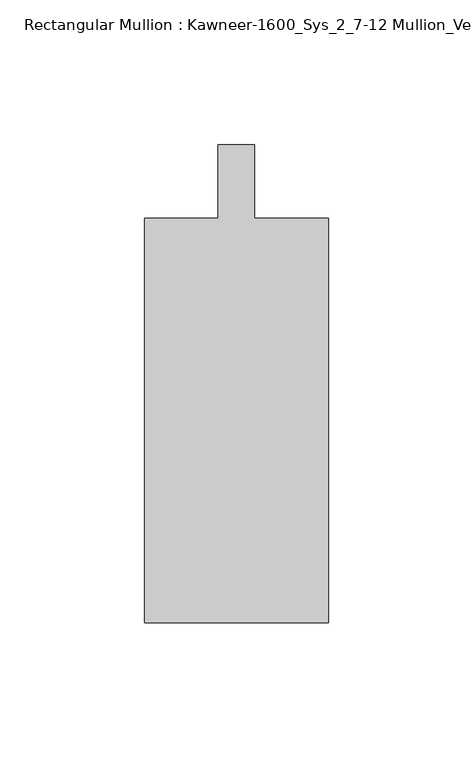
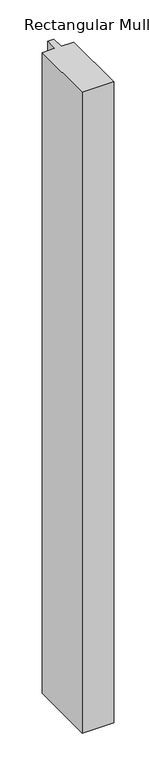
"""IFC4 building model written with IfcOpenShell, lengths in millimetres: member geometry, Rectangular Mullion : Kawneer-1600_Sys_2_7-12 Mullion_Vertical."""

from ifc_helpers import new_model, si_unit, frame, origin, place, context, project, spatial, polyline, outline, extrude, source, transform, mapped, element, save


def rectangular_mullion_kawneer_1600_sys_2_7_12_mullion_vertical_cb313ad9(model_context):
    return source(origin(), model_context, "Body", "SweptSolid", [
        extrude(outline(polyline([(36.0844027, -152.4), (-27.4155973, -152.4), (-27.4155973, -12.7), (-2.0155973, -12.7), (-2.0155973, 12.7), (10.6844027, 12.7), (10.6844027, -12.7), (36.0844027, -12.7), (36.0844027, -152.4)])), frame((0.0, 0.0, -1363.4555973), z_axis=(0.0, 0.0, 1.0), x_axis=(1.0, 0.0, 0.0)), (0.0, 0.0, 1.0), 1363.4555973),
    ])


if __name__ == "__main__":
    model = new_model("IFC4")
    model_context = context("Model", 3, world=origin())
    ifc_project = project(units=[si_unit("LENGTHUNIT", "METRE", prefix="MILLI")], contexts=[model_context])
    site = spatial("IfcSite", under=ifc_project)
    building = spatial("IfcBuilding", under=site)
    placement = place(None, origin())
    rectangular_mullion_kawneer_1600_sys_2_7_12_mullion_vertical_shape = rectangular_mullion_kawneer_1600_sys_2_7_12_mullion_vertical_cb313ad9(model_context)
    element("IfcMember", 1, ObjectType="Rectangular Mullion : Kawneer-1600_Sys_2_7-12 Mullion_Vertical", at=placement, inside=building, context=model_context, shape_type="MappedRepresentation", body=[
        mapped(rectangular_mullion_kawneer_1600_sys_2_7_12_mullion_vertical_shape, transform((0.0, 0.0, 0.0), x_axis=(1.0, 0.0, 0.0), y_axis=(0.0, 1.0, 0.0), z_axis=(0.0, 0.0, 1.0))),
    ])
    save(model, "model.ifc")
